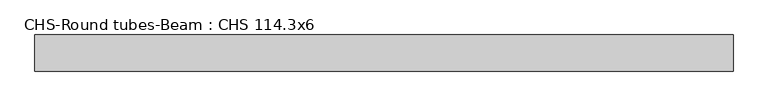
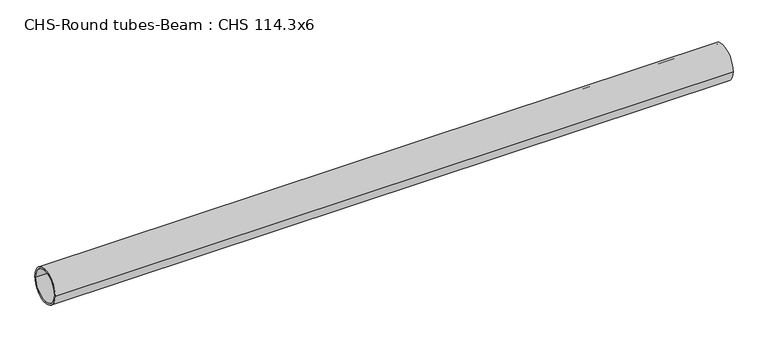
"""IFC4 building model written with IfcOpenShell, lengths in millimetres: beam geometry, CHS-Round tubes-Beam : CHS 114.3x6."""

from ifc_helpers import new_model, si_unit, point, frame, origin, origin_2d, place, context, project, spatial, circle_curve, trimmed, segment, composite_curve, outline, extrude, source, transform, mapped, element, save


def chs_round_tubes_beam_chs_114_3x6_d4fdaecc(model_context):
    return source(origin(), model_context, "Body", "SweptSolid", [
        extrude(outline(composite_curve([segment(trimmed(circle_curve(origin_2d(), 57.15), [point((57.15, 0.0))], [point((-57.15, 0.0))], False, "CARTESIAN"), True, "CONTINUOUS"), segment(trimmed(circle_curve(origin_2d(), 57.15), [point((-57.15, 0.0))], [point((57.15, 0.0))], False, "CARTESIAN"), True, "CONTINUOUS")], self_intersect=False), holes=[composite_curve([segment(trimmed(circle_curve(origin_2d(), 51.15), [point((51.15, 0.0))], [point((-51.15, 0.0))], True, "CARTESIAN"), True, "CONTINUOUS"), segment(trimmed(circle_curve(origin_2d(), 51.15), [point((-51.15, 0.0))], [point((51.15, 0.0))], True, "CARTESIAN"), True, "CONTINUOUS")], self_intersect=False)]), frame((-1063.2966157, 0.0, 0.0), z_axis=(1.0, 0.0, 0.0), x_axis=(0.0, 1.0, 0.0)), (0.0, 0.0, 1.0), 2208.723354),
    ])


if __name__ == "__main__":
    model = new_model("IFC4")
    model_context = context("Model", 3, world=origin())
    ifc_project = project(units=[si_unit("LENGTHUNIT", "METRE", prefix="MILLI")], contexts=[model_context])
    site = spatial("IfcSite", under=ifc_project)
    building = spatial("IfcBuilding", under=site)
    placement = place(None, origin())
    chs_round_tubes_beam_chs_114_3x6_shape = chs_round_tubes_beam_chs_114_3x6_d4fdaecc(model_context)
    element("IfcBeam", 1, ObjectType="CHS-Round tubes-Beam : CHS 114.3x6", at=placement, inside=building, context=model_context, shape_type="MappedRepresentation", body=[
        mapped(chs_round_tubes_beam_chs_114_3x6_shape, transform((0.0, 0.0, 0.0), x_axis=(1.0, 0.0, 0.0), y_axis=(0.0, 1.0, 0.0), z_axis=(0.0, 0.0, 1.0))),
    ])
    save(model, "model.ifc")
